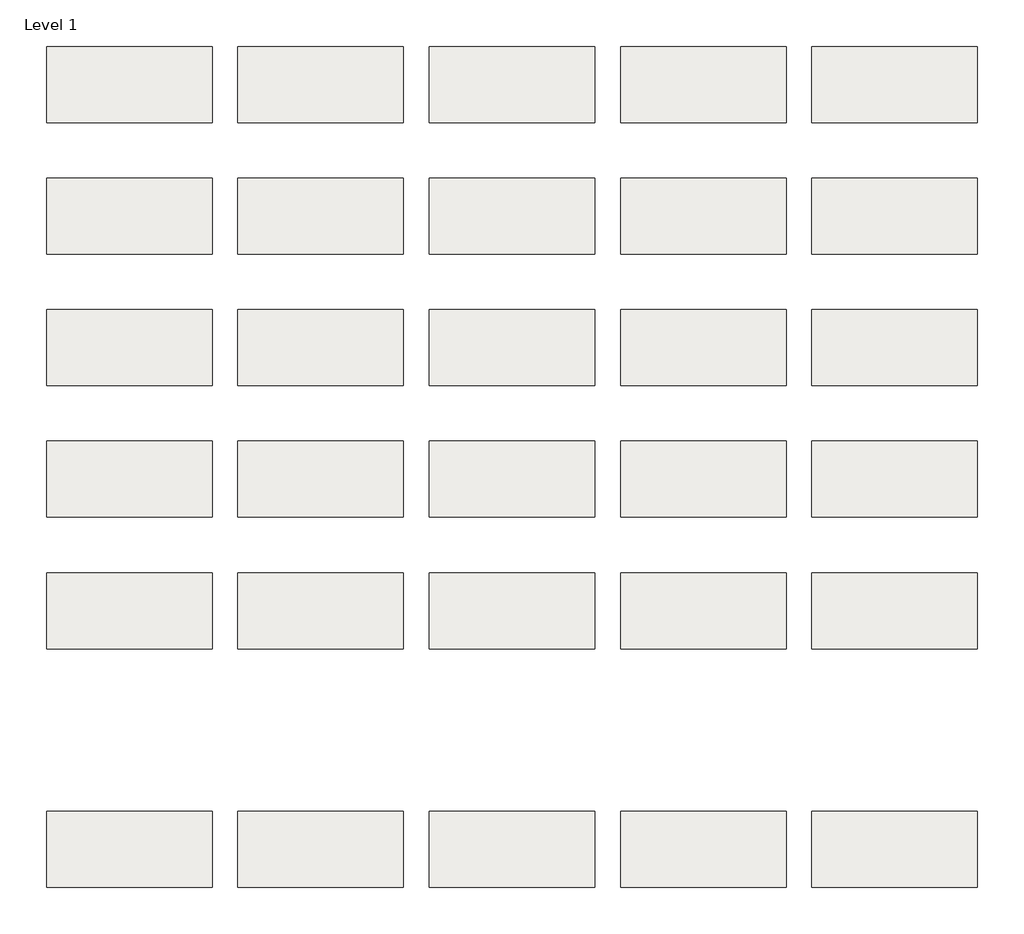
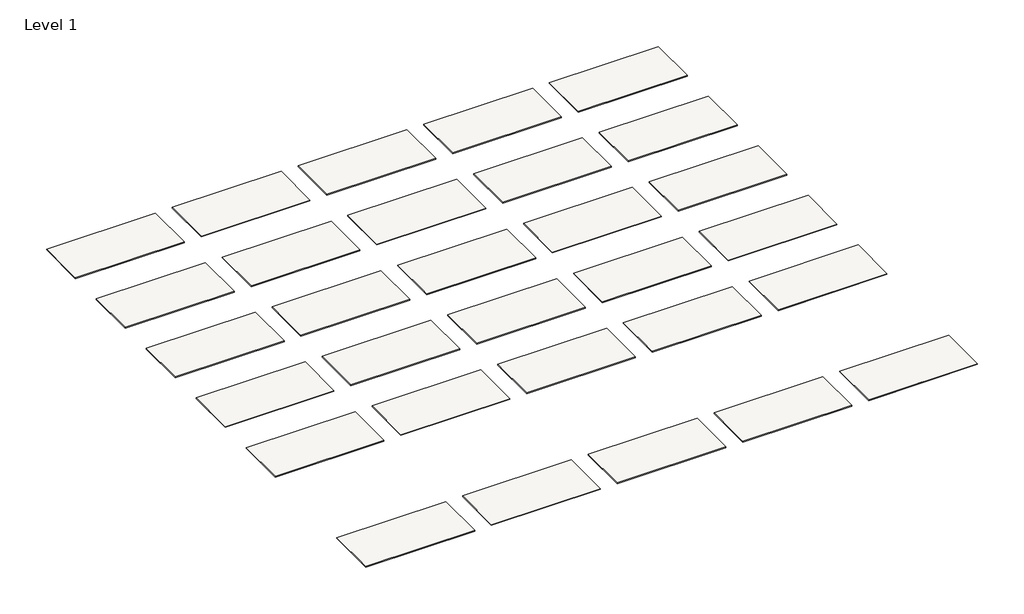
# One storey: 30 roofs.
"""IFC4 building model written with IfcOpenShell, lengths in millimetres."""

from ifc_helpers import new_model, si_unit, origin, origin_with_axes, place, context, project, spatial, polyline, outline, extrude, element, save

model = new_model("IFC4")

# Units and contexts
model_context = context("Model", 3, world=origin())
ifc_project = project(units=[si_unit("LENGTHUNIT", "METRE", prefix="MILLI")], contexts=[model_context])

# Site, building, storey
site = spatial("IfcSite", under=ifc_project)
building = spatial("IfcBuilding", under=site)
storey = spatial("IfcBuildingStorey", under=building, Name="Level 1", Elevation=0.0)

# Roofs
placement = place(None, origin())
element("IfcRoof", 1, at=placement, inside=storey, context=model_context, shape_type="SweptSolid", body=[
    extrude(outline(polyline([(-9725.8471173, -1370.5264682), (-6627.0471173, -1370.5264682), (-6627.0471173, -2792.9264682), (-9725.8471173, -2792.9264682), (-9725.8471173, -1370.5264682)])), origin_with_axes(), (0.0, 0.0, 1.0), 25.4),
])
element("IfcRoof", 2, at=placement, inside=storey, context=model_context, shape_type="SweptSolid", body=[
    extrude(outline(polyline([(-6144.4471173, -1370.5264682), (-3045.6471173, -1370.5264682), (-3045.6471173, -2792.9264682), (-6144.4471173, -2792.9264682), (-6144.4471173, -1370.5264682)])), origin_with_axes(), (0.0, 0.0, 1.0), 25.4),
])
element("IfcRoof", 3, at=placement, inside=storey, context=model_context, shape_type="SweptSolid", body=[
    extrude(outline(polyline([(-2563.0471173, -1370.5264682), (535.7528827, -1370.5264682), (535.7528827, -2792.9264682), (-2563.0471173, -2792.9264682), (-2563.0471173, -1370.5264682)])), origin_with_axes(), (0.0, 0.0, 1.0), 25.4),
])
element("IfcRoof", 4, at=placement, inside=storey, context=model_context, shape_type="SweptSolid", body=[
    extrude(outline(polyline([(1018.3528827, -1370.5264682), (4117.1528827, -1370.5264682), (4117.1528827, -2792.9264682), (1018.3528827, -2792.9264682), (1018.3528827, -1370.5264682)])), origin_with_axes(), (0.0, 0.0, 1.0), 25.4),
])
element("IfcRoof", 5, at=placement, inside=storey, context=model_context, shape_type="SweptSolid", body=[
    extrude(outline(polyline([(4599.7528827, -1370.5264682), (7698.5528827, -1370.5264682), (7698.5528827, -2792.9264682), (4599.7528827, -2792.9264682), (4599.7528827, -1370.5264682)])), origin_with_axes(), (0.0, 0.0, 1.0), 25.4),
])
element("IfcRoof", 6, at=placement, inside=storey, context=model_context, shape_type="SweptSolid", body=[
    extrude(outline(polyline([(-9725.8471173, 1093.2735318), (-6627.0471173, 1093.2735318), (-6627.0471173, -329.1264682), (-9725.8471173, -329.1264682), (-9725.8471173, 1093.2735318)])), origin_with_axes(), (0.0, 0.0, 1.0), 25.4),
])
element("IfcRoof", 7, at=placement, inside=storey, context=model_context, shape_type="SweptSolid", body=[
    extrude(outline(polyline([(-6144.4471173, 1093.2735318), (-3045.6471173, 1093.2735318), (-3045.6471173, -329.1264682), (-6144.4471173, -329.1264682), (-6144.4471173, 1093.2735318)])), origin_with_axes(), (0.0, 0.0, 1.0), 25.4),
])
element("IfcRoof", 8, at=placement, inside=storey, context=model_context, shape_type="SweptSolid", body=[
    extrude(outline(polyline([(-2563.0471173, 1093.2735318), (535.7528827, 1093.2735318), (535.7528827, -329.1264682), (-2563.0471173, -329.1264682), (-2563.0471173, 1093.2735318)])), origin_with_axes(), (0.0, 0.0, 1.0), 25.4),
])
element("IfcRoof", 9, at=placement, inside=storey, context=model_context, shape_type="SweptSolid", body=[
    extrude(outline(polyline([(1018.3528827, 1093.2735318), (4117.1528827, 1093.2735318), (4117.1528827, -329.1264682), (1018.3528827, -329.1264682), (1018.3528827, 1093.2735318)])), origin_with_axes(), (0.0, 0.0, 1.0), 25.4),
])
element("IfcRoof", 10, at=placement, inside=storey, context=model_context, shape_type="SweptSolid", body=[
    extrude(outline(polyline([(4599.7528827, 1093.2735318), (7698.5528827, 1093.2735318), (7698.5528827, -329.1264682), (4599.7528827, -329.1264682), (4599.7528827, 1093.2735318)])), origin_with_axes(), (0.0, 0.0, 1.0), 25.4),
])
element("IfcRoof", 11, at=placement, inside=storey, context=model_context, shape_type="SweptSolid", body=[
    extrude(outline(polyline([(-9725.8471173, 3557.0735318), (-6627.0471173, 3557.0735318), (-6627.0471173, 2134.6735318), (-9725.8471173, 2134.6735318), (-9725.8471173, 3557.0735318)])), origin_with_axes(), (0.0, 0.0, 1.0), 25.4),
])
element("IfcRoof", 12, at=placement, inside=storey, context=model_context, shape_type="SweptSolid", body=[
    extrude(outline(polyline([(-6144.4471173, 3557.0735318), (-3045.6471173, 3557.0735318), (-3045.6471173, 2134.6735318), (-6144.4471173, 2134.6735318), (-6144.4471173, 3557.0735318)])), origin_with_axes(), (0.0, 0.0, 1.0), 25.4),
])
element("IfcRoof", 13, at=placement, inside=storey, context=model_context, shape_type="SweptSolid", body=[
    extrude(outline(polyline([(-2563.0471173, 3557.0735318), (535.7528827, 3557.0735318), (535.7528827, 2134.6735318), (-2563.0471173, 2134.6735318), (-2563.0471173, 3557.0735318)])), origin_with_axes(), (0.0, 0.0, 1.0), 25.4),
])
element("IfcRoof", 14, at=placement, inside=storey, context=model_context, shape_type="SweptSolid", body=[
    extrude(outline(polyline([(1018.3528827, 3557.0735318), (4117.1528827, 3557.0735318), (4117.1528827, 2134.6735318), (1018.3528827, 2134.6735318), (1018.3528827, 3557.0735318)])), origin_with_axes(), (0.0, 0.0, 1.0), 25.4),
])
element("IfcRoof", 15, at=placement, inside=storey, context=model_context, shape_type="SweptSolid", body=[
    extrude(outline(polyline([(4599.7528827, 3557.0735318), (7698.5528827, 3557.0735318), (7698.5528827, 2134.6735318), (4599.7528827, 2134.6735318), (4599.7528827, 3557.0735318)])), origin_with_axes(), (0.0, 0.0, 1.0), 25.4),
])
element("IfcRoof", 16, at=placement, inside=storey, context=model_context, shape_type="SweptSolid", body=[
    extrude(outline(polyline([(-9725.8471173, 6020.8735318), (-6627.0471173, 6020.8735318), (-6627.0471173, 4598.4735318), (-9725.8471173, 4598.4735318), (-9725.8471173, 6020.8735318)])), origin_with_axes(), (0.0, 0.0, 1.0), 25.4),
])
element("IfcRoof", 17, at=placement, inside=storey, context=model_context, shape_type="SweptSolid", body=[
    extrude(outline(polyline([(-6144.4471173, 6020.8735318), (-3045.6471173, 6020.8735318), (-3045.6471173, 4598.4735318), (-6144.4471173, 4598.4735318), (-6144.4471173, 6020.8735318)])), origin_with_axes(), (0.0, 0.0, 1.0), 25.4),
])
element("IfcRoof", 18, at=placement, inside=storey, context=model_context, shape_type="SweptSolid", body=[
    extrude(outline(polyline([(-2563.0471173, 6020.8735318), (535.7528827, 6020.8735318), (535.7528827, 4598.4735318), (-2563.0471173, 4598.4735318), (-2563.0471173, 6020.8735318)])), origin_with_axes(), (0.0, 0.0, 1.0), 25.4),
])
element("IfcRoof", 19, at=placement, inside=storey, context=model_context, shape_type="SweptSolid", body=[
    extrude(outline(polyline([(1018.3528827, 6020.8735318), (4117.1528827, 6020.8735318), (4117.1528827, 4598.4735318), (1018.3528827, 4598.4735318), (1018.3528827, 6020.8735318)])), origin_with_axes(), (0.0, 0.0, 1.0), 25.4),
])
element("IfcRoof", 20, at=placement, inside=storey, context=model_context, shape_type="SweptSolid", body=[
    extrude(outline(polyline([(4599.7528827, 6020.8735318), (7698.5528827, 6020.8735318), (7698.5528827, 4598.4735318), (4599.7528827, 4598.4735318), (4599.7528827, 6020.8735318)])), origin_with_axes(), (0.0, 0.0, 1.0), 25.4),
])
element("IfcRoof", 21, at=placement, inside=storey, context=model_context, shape_type="SweptSolid", body=[
    extrude(outline(polyline([(-9725.8471173, 8484.6735318), (-6627.0471173, 8484.6735318), (-6627.0471173, 7062.2735318), (-9725.8471173, 7062.2735318), (-9725.8471173, 8484.6735318)])), origin_with_axes(), (0.0, 0.0, 1.0), 25.4),
])
element("IfcRoof", 22, at=placement, inside=storey, context=model_context, shape_type="SweptSolid", body=[
    extrude(outline(polyline([(-6144.4471173, 8484.6735318), (-3045.6471173, 8484.6735318), (-3045.6471173, 7062.2735318), (-6144.4471173, 7062.2735318), (-6144.4471173, 8484.6735318)])), origin_with_axes(), (0.0, 0.0, 1.0), 25.4),
])
element("IfcRoof", 23, at=placement, inside=storey, context=model_context, shape_type="SweptSolid", body=[
    extrude(outline(polyline([(-2563.0471173, 8484.6735318), (535.7528827, 8484.6735318), (535.7528827, 7062.2735318), (-2563.0471173, 7062.2735318), (-2563.0471173, 8484.6735318)])), origin_with_axes(), (0.0, 0.0, 1.0), 25.4),
])
element("IfcRoof", 24, at=placement, inside=storey, context=model_context, shape_type="SweptSolid", body=[
    extrude(outline(polyline([(1018.3528827, 8484.6735318), (4117.1528827, 8484.6735318), (4117.1528827, 7062.2735318), (1018.3528827, 7062.2735318), (1018.3528827, 8484.6735318)])), origin_with_axes(), (0.0, 0.0, 1.0), 25.4),
])
element("IfcRoof", 25, at=placement, inside=storey, context=model_context, shape_type="SweptSolid", body=[
    extrude(outline(polyline([(4599.7528827, 8484.6735318), (7698.5528827, 8484.6735318), (7698.5528827, 7062.2735318), (4599.7528827, 7062.2735318), (4599.7528827, 8484.6735318)])), origin_with_axes(), (0.0, 0.0, 1.0), 25.4),
])
element("IfcRoof", 26, at=placement, inside=storey, context=model_context, shape_type="SweptSolid", body=[
    extrude(outline(polyline([(-9725.8471173, -5840.9264682), (-6627.0471173, -5840.9264682), (-6627.0471173, -7263.3264682), (-9725.8471173, -7263.3264682), (-9725.8471173, -5840.9264682)])), origin_with_axes(), (0.0, 0.0, 1.0), 25.4),
])
element("IfcRoof", 27, at=placement, inside=storey, context=model_context, shape_type="SweptSolid", body=[
    extrude(outline(polyline([(-6144.4471173, -5840.9264682), (-3045.6471173, -5840.9264682), (-3045.6471173, -7263.3264682), (-6144.4471173, -7263.3264682), (-6144.4471173, -5840.9264682)])), origin_with_axes(), (0.0, 0.0, 1.0), 25.4),
])
element("IfcRoof", 28, at=placement, inside=storey, context=model_context, shape_type="SweptSolid", body=[
    extrude(outline(polyline([(-2563.0471173, -5840.9264682), (535.7528827, -5840.9264682), (535.7528827, -7263.3264682), (-2563.0471173, -7263.3264682), (-2563.0471173, -5840.9264682)])), origin_with_axes(), (0.0, 0.0, 1.0), 25.4),
])
element("IfcRoof", 29, at=placement, inside=storey, context=model_context, shape_type="SweptSolid", body=[
    extrude(outline(polyline([(1018.3528827, -5840.9264682), (4117.1528827, -5840.9264682), (4117.1528827, -7263.3264682), (1018.3528827, -7263.3264682), (1018.3528827, -5840.9264682)])), origin_with_axes(), (0.0, 0.0, 1.0), 25.4),
])
element("IfcRoof", 30, at=placement, inside=storey, context=model_context, shape_type="SweptSolid", body=[
    extrude(outline(polyline([(4599.7528827, -5840.9264682), (7698.5528827, -5840.9264682), (7698.5528827, -7263.3264682), (4599.7528827, -7263.3264682), (4599.7528827, -5840.9264682)])), origin_with_axes(), (0.0, 0.0, 1.0), 25.4),
])

save(model, "model.ifc")
